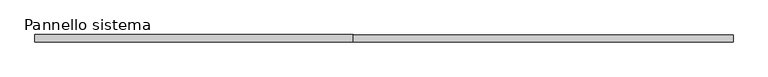
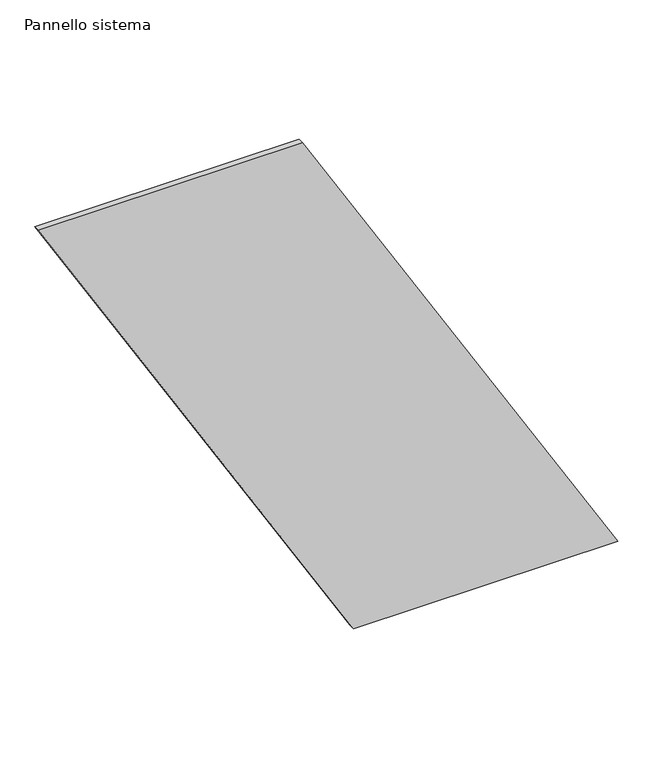
"""IFC4 building model written with IfcOpenShell, lengths in millimetres: plate geometry, Pannello sistema."""

from ifc_helpers import new_model, si_unit, frame, origin, place, context, project, spatial, polyline, outline, extrude, source, transform, mapped, element, save


def pannello_sistema_2b989075(model_context):
    return source(origin(), model_context, "Body", "SweptSolid", [
        extrude(outline(polyline([(0.0, 104.7739464), (0.0, 1192.1700386), (2184.3026168, -104.7739464), (2184.3026168, -1192.1700386), (0.0, 104.7739464)])), frame((0.0, -12.5, 0.0), z_axis=(0.0, 1.0, 0.0), x_axis=(0.0, 0.0, 1.0)), (0.0, 0.0, 1.0), 25.0),
    ])


if __name__ == "__main__":
    model = new_model("IFC4")
    model_context = context("Model", 3, world=origin())
    ifc_project = project(units=[si_unit("LENGTHUNIT", "METRE", prefix="MILLI")], contexts=[model_context])
    site = spatial("IfcSite", under=ifc_project)
    building = spatial("IfcBuilding", under=site)
    placement = place(None, origin())
    pannello_sistema_shape = pannello_sistema_2b989075(model_context)
    element("IfcPlate", 1, ObjectType="Pannello sistema", at=placement, inside=building, context=model_context, shape_type="MappedRepresentation", body=[
        mapped(pannello_sistema_shape, transform((0.0, 0.0, 0.0), x_axis=(1.0, 0.0, 0.0), y_axis=(0.0, 1.0, 0.0), z_axis=(0.0, 0.0, 1.0))),
    ])
    save(model, "model.ifc")
